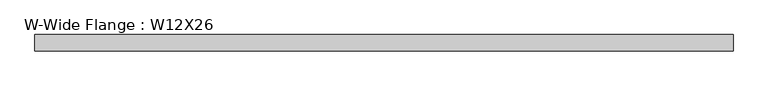
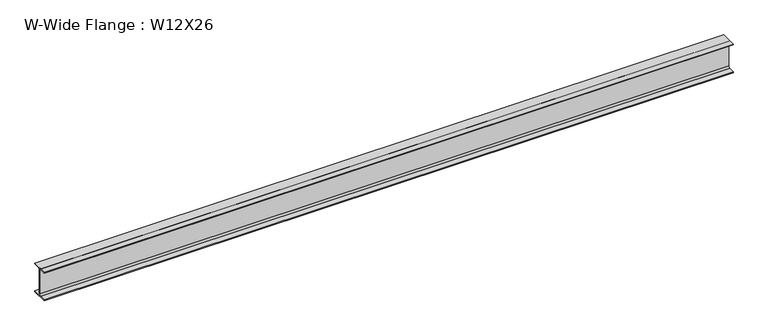
"""IFC4 building model written with IfcOpenShell, lengths in millimetres: beam geometry, W-Wide Flange : W12X26."""

from ifc_helpers import new_model, si_unit, point, frame, frame_2d, origin, place, context, project, spatial, polyline, circle_curve, trimmed, segment, composite_curve, outline, extrude, source, transform, mapped, element, save


def w_wide_flange_w12x26_d063dc5e(model_context):
    return source(origin(), model_context, "Body", "SweptSolid", [
        extrude(outline(composite_curve([segment(polyline([(82.4011719, -145.5539063), (82.4011719, -155.178125), (-82.4011719, -155.178125), (-82.4011719, -145.5539063), (-20.2902344, -145.5539063)]), True, "CONTINUOUS"), segment(trimmed(circle_curve(frame_2d((-20.2902344, -128.190625)), 17.3632812), [point((-20.2902344, -145.5539063))], [point((-2.9269531, -128.190625))], True, "CARTESIAN"), True, "CONTINUOUS"), segment(polyline([(-2.9269531, -128.190625), (-2.9269531, 128.190625)]), True, "CONTINUOUS"), segment(trimmed(circle_curve(frame_2d((-20.2902344, 128.190625)), 17.3632812), [point((-2.9269531, 128.190625))], [point((-20.2902344, 145.5539062))], True, "CARTESIAN"), True, "CONTINUOUS"), segment(polyline([(-20.2902344, 145.5539062), (-82.4011719, 145.5539062), (-82.4011719, 155.178125), (82.4011719, 155.178125), (82.4011719, 145.5539062), (20.2902344, 145.5539062)]), True, "CONTINUOUS"), segment(trimmed(circle_curve(frame_2d((20.2902344, 128.190625)), 17.3632812), [point((20.2902344, 145.5539062))], [point((2.9269531, 128.190625))], True, "CARTESIAN"), True, "CONTINUOUS"), segment(polyline([(2.9269531, 128.190625), (2.9269531, -128.190625)]), True, "CONTINUOUS"), segment(trimmed(circle_curve(frame_2d((20.2902344, -128.190625)), 17.3632812), [point((2.9269531, -128.190625))], [point((20.2902344, -145.5539063))], True, "CARTESIAN"), True, "CONTINUOUS"), segment(polyline([(20.2902344, -145.5539063), (82.4011719, -145.5539063)]), True, "CONTINUOUS")], self_intersect=False)), frame((-3549.253125, 0.0, 0.0), z_axis=(1.0, 0.0, 0.0), x_axis=(0.0, 1.0, 0.0)), (0.0, 0.0, 1.0), 7105.253125),
    ])


if __name__ == "__main__":
    model = new_model("IFC4")
    model_context = context("Model", 3, world=origin())
    ifc_project = project(units=[si_unit("LENGTHUNIT", "METRE", prefix="MILLI")], contexts=[model_context])
    site = spatial("IfcSite", under=ifc_project)
    building = spatial("IfcBuilding", under=site)
    placement = place(None, origin())
    w_wide_flange_w12x26_shape = w_wide_flange_w12x26_d063dc5e(model_context)
    element("IfcBeam", 1, ObjectType="W-Wide Flange : W12X26", at=placement, inside=building, context=model_context, shape_type="MappedRepresentation", body=[
        mapped(w_wide_flange_w12x26_shape, transform((0.0, 0.0, 0.0), x_axis=(1.0, 0.0, 0.0), y_axis=(0.0, 1.0, 0.0), z_axis=(0.0, 0.0, 1.0))),
    ])
    save(model, "model.ifc")
